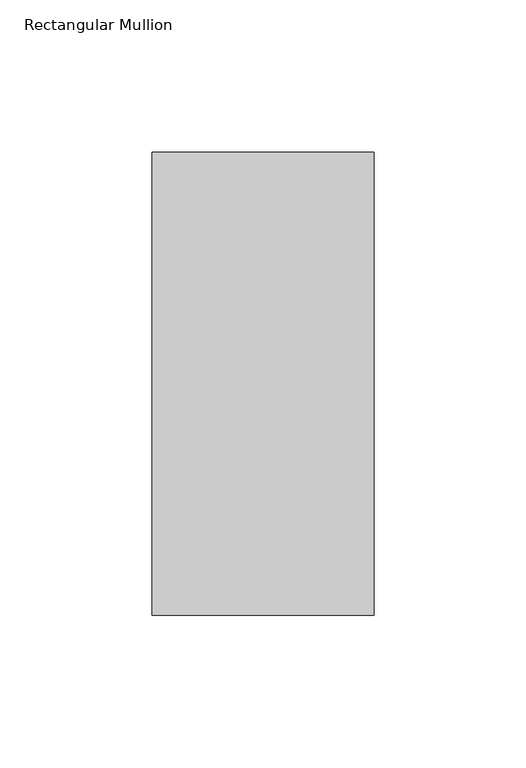
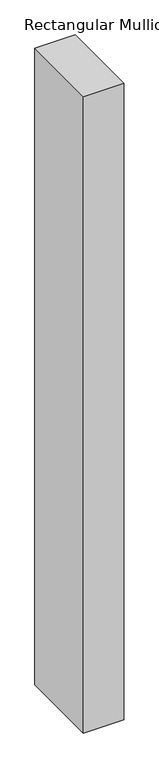
"""IFC4 building model written with IfcOpenShell, lengths in millimetres: member geometry, Rectangular Mullion."""

from ifc_helpers import new_model, si_unit, frame, origin, place, context, project, spatial, polyline, outline, extrude, source, transform, mapped, element, save


def rectangular_mullion_4b185651(model_context):
    return source(origin(), model_context, "Body", "SweptSolid", [
        extrude(outline(polyline([(-73.0249529, 26.19375), (0.0, 26.19375), (0.0, -126.20625), (-73.0249529, -126.20625), (-73.0249529, 26.19375)])), frame((0.0, 0.0, -1219.2), z_axis=(0.0, 0.0, 1.0), x_axis=(1.0, 0.0, 0.0)), (0.0, 0.0, 1.0), 1219.2),
    ])


if __name__ == "__main__":
    model = new_model("IFC4")
    model_context = context("Model", 3, world=origin())
    ifc_project = project(units=[si_unit("LENGTHUNIT", "METRE", prefix="MILLI")], contexts=[model_context])
    site = spatial("IfcSite", under=ifc_project)
    building = spatial("IfcBuilding", under=site)
    placement = place(None, origin())
    rectangular_mullion_shape = rectangular_mullion_4b185651(model_context)
    element("IfcMember", 1, ObjectType="Rectangular Mullion", at=placement, inside=building, context=model_context, shape_type="MappedRepresentation", body=[
        mapped(rectangular_mullion_shape, transform((0.0, 0.0, 0.0), x_axis=(1.0, 0.0, 0.0), y_axis=(0.0, 1.0, 0.0), z_axis=(0.0, 0.0, 1.0))),
    ])
    save(model, "model.ifc")
